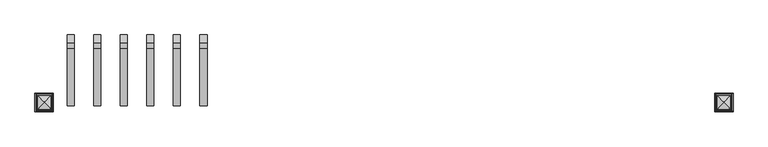
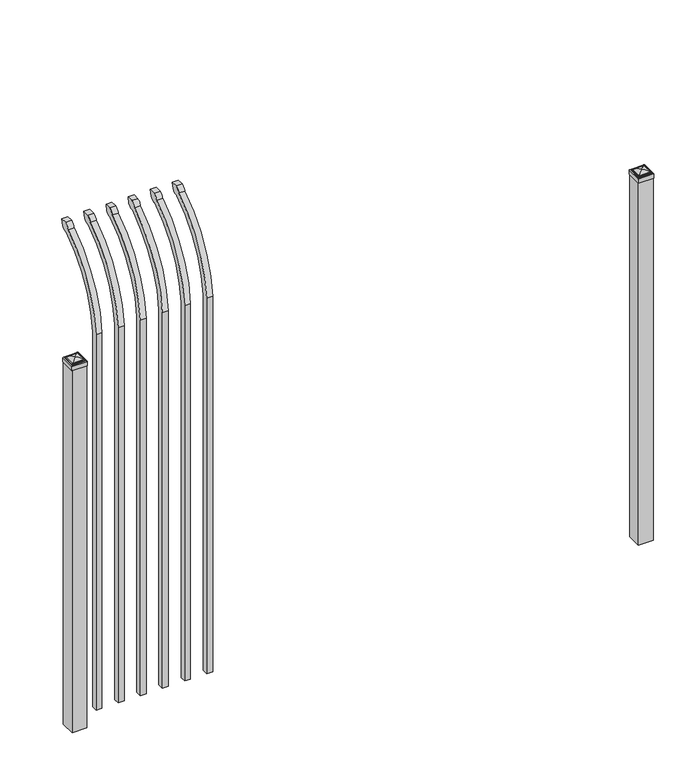
"""IFC4 building model written with IfcOpenShell, lengths in millimetres: railing geometry."""

from ifc_helpers import new_model, si_unit, point, frame, origin, origin_with_axes, place, context, project, spatial, polyline, circle_curve, ellipse_curve, trimmed, outline, extrude, source, transform, mapped, element, save
from ifc_brep_helpers import plane_surface, cylinder_surface, revolved_surface, extruded_surface, advanced_brep


def railing_db0312ca(model_context):
    return source(origin(), model_context, "Body", "SolidModel", [
        advanced_brep(
        [(20603.9350064, 13429.619541, 50.8), (20603.9350064, 13429.619541, 1759.1226889), (20603.9350064, 13626.7326851, 2091.3022378), (20603.9350064, 13653.2407099, 2105.9867549), (20603.9350064, 13659.1100864, 2133.6), (20603.9350064, 13630.8799449, 2133.6), (20603.9350064, 13611.4931591, 2112.6682561), (20603.9350064, 13404.219541, 1759.1226889), (20603.9350064, 13404.219541, 50.8), (20578.5350064, 13429.619541, 50.8), (20578.5350064, 13429.619541, 1759.1226889), (20578.5350064, 13404.219541, 1759.1226889), (20578.5350064, 13404.219541, 50.8), (20578.5350064, 13611.4931591, 2112.6682561), (20578.5350064, 13630.8799449, 2133.6), (20578.5350064, 13659.1100864, 2133.6), (20578.5350064, 13653.2407099, 2105.9867549), (20578.5350064, 13626.7326851, 2091.3022378)],
        [
            (0, 1),
            (1, 2, circle_curve(frame((20603.9350064, 13866.9874207, 1724.1640776), z_axis=(-1.0, 0.0, 0.0), x_axis=(0.0, 1.0, 0.0)), 438.7627681)),
            (2, 3, ellipse_curve(frame((20603.9350064, 13634.5579376, 2113.7180619), z_axis=(1.0, 0.0, 0.0), x_axis=(0.0, -0.7771459614569761, -0.6293203910498311)), 26.7460194, 19.05)),
            (3, 4),
            (4, 5),
            (5, 6, ellipse_curve(frame((20603.9350064, 13634.5579376, 2113.7180619), z_axis=(0.9999999999999999, 0.0, 0.0), x_axis=(0.0, -0.7771459614569769, -0.62932039104983)), 26.7460194, 19.05)),
            (6, 7, circle_curve(frame((20603.9350064, 13866.0333244, 1725.9065933), z_axis=(1.0, 0.0, 0.0), x_axis=(0.0, 1.0, 0.0)), 463.0067812)),
            (7, 8),
            (8, 0),
            (0, 9),
            (9, 10),
            (10, 1),
            (7, 11),
            (11, 12),
            (12, 8),
            (12, 9),
            (11, 13, circle_curve(frame((20578.5350064, 13866.0333244, 1725.9065933), z_axis=(-1.0, 0.0, 0.0), x_axis=(0.0, 1.0, 0.0)), 463.0067812)),
            (13, 14, ellipse_curve(frame((20578.5350064, 13634.5579376, 2113.7180619), z_axis=(-0.9999999999999999, 0.0, 0.0), x_axis=(0.0, -0.7771459614569769, -0.62932039104983)), 26.7460194, 19.05)),
            (14, 15),
            (15, 16),
            (16, 17, ellipse_curve(frame((20578.5350064, 13634.5579376, 2113.7180619), z_axis=(-1.0, 0.0, 0.0), x_axis=(0.0, -0.7771459614569761, -0.6293203910498311)), 26.7460194, 19.05)),
            (17, 10, circle_curve(frame((20578.5350064, 13866.9874207, 1724.1640776), z_axis=(1.0, 0.0, 0.0), x_axis=(0.0, 1.0, 0.0)), 438.7627681)),
            (17, 2),
            (16, 3),
            (15, 4),
            (14, 5),
            (13, 6),
        ],
        [
            plane_surface(frame((20603.9350064, 13429.619541, 50.8), z_axis=(1.0, 0.0, 0.0), x_axis=(0.0, 0.0, 1.0))),
            plane_surface(frame((20603.9350064, 13429.619541, 50.8), z_axis=(0.0, 1.0, 0.0), x_axis=(-1.0, 0.0, 0.0))),
            plane_surface(frame((20603.9350064, 13404.219541, 1759.1226889), z_axis=(0.0, -1.0, 0.0), x_axis=(-1.0, 0.0, 0.0))),
            plane_surface(frame((20603.9350064, 13404.219541, 50.8), z_axis=(0.0, 0.0, -1.0), x_axis=(-1.0, 0.0, 0.0))),
            plane_surface(frame((20578.5350064, 13429.619541, 50.8), z_axis=(-1.0, 0.0, 0.0), x_axis=(0.0, 0.0, -1.0))),
            revolved_surface(polyline([(20578.5350064, 14305.750188799999, 1724.1640776), (20603.9350064, 14305.750188799999, 1724.1640776)]), (20578.5350064, 13866.9874207, 1724.1640776), (-1.0, 0.0, 0.0)),
            extruded_surface(trimmed(ellipse_curve(frame((20553.1350064, 13634.5579376, 2113.7180619), z_axis=(1.0, 0.0, 0.0), x_axis=(0.0, -0.7771459614569761, -0.6293203910498311)), 26.7460194, 19.05), [point((20553.1350064, 13626.7326851, 2091.3022378))], [point((20553.1350064, 13653.2407099, 2105.9867549))], True, "CARTESIAN"), (25.400000000001455, 0.0, 0.0), 25.400000000001455),
            plane_surface(frame((20603.9350064, 13653.2407099, 2105.9867549), z_axis=(0.0, 0.9781476007338014, -0.20791169081777983), x_axis=(-1.0, 0.0, 0.0))),
            plane_surface(frame((20603.9350064, 13659.1100864, 2133.6), z_axis=(0.0, 0.0, 1.0), x_axis=(-1.0, 0.0, 0.0))),
            extruded_surface(trimmed(ellipse_curve(frame((20553.1350064, 13634.5579376, 2113.7180619), z_axis=(0.9999999999999999, 0.0, 0.0), x_axis=(0.0, -0.7771459614569769, -0.62932039104983)), 26.7460194, 19.05), [point((20553.1350064, 13630.8799449, 2133.6))], [point((20553.1350064, 13611.4931591, 2112.6682561))], True, "CARTESIAN"), (25.400000000001455, 0.0, 0.0), 25.400000000001455),
            cylinder_surface(frame((20578.5350064, 13866.0333244, 1725.9065933), z_axis=(1.0, 0.0, 0.0), x_axis=(0.0, 1.0, 0.0)), 463.0067812),
        ],
        [
            (0, [[1, 2, 3, 4, 5, 6, 7, 8, 9]]),
            (1, [[-1, 10, 11, 12]]),
            (2, [[-8, 13, 14, 15]]),
            (3, [[-9, -15, 16, -10]]),
            (4, [[-16, -14, 17, 18, 19, 20, 21, 22, -11]]),
            (5, [[-2, -12, -22, 23]]),
            (6, [[-3, -23, -21, 24]]),
            (7, [[-4, -24, -20, 25]]),
            (8, [[-5, -25, -19, 26]]),
            (9, [[-6, -26, -18, 27]]),
            (10, [[-7, -27, -17, -13]]),
        ],
    ),
        advanced_brep(
        [(20508.6850064, 13429.619541, 50.8), (20508.6850064, 13429.619541, 1759.1226889), (20508.6850064, 13626.7326851, 2091.3022378), (20508.6850064, 13653.2407099, 2105.9867549), (20508.6850064, 13659.1100864, 2133.6), (20508.6850064, 13630.8799449, 2133.6), (20508.6850064, 13611.4931591, 2112.6682561), (20508.6850064, 13404.219541, 1759.1226889), (20508.6850064, 13404.219541, 50.8), (20483.2850064, 13429.619541, 50.8), (20483.2850064, 13429.619541, 1759.1226889), (20483.2850064, 13404.219541, 1759.1226889), (20483.2850064, 13404.219541, 50.8), (20483.2850064, 13611.4931591, 2112.6682561), (20483.2850064, 13630.8799449, 2133.6), (20483.2850064, 13659.1100864, 2133.6), (20483.2850064, 13653.2407099, 2105.9867549), (20483.2850064, 13626.7326851, 2091.3022378)],
        [
            (0, 1),
            (1, 2, circle_curve(frame((20508.6850064, 13866.9874207, 1724.1640776), z_axis=(-1.0, 0.0, 0.0), x_axis=(0.0, 1.0, 0.0)), 438.7627681)),
            (2, 3, ellipse_curve(frame((20508.6850064, 13634.5579376, 2113.7180619), z_axis=(1.0, 0.0, 0.0), x_axis=(0.0, -0.7771459614569761, -0.6293203910498311)), 26.7460194, 19.05)),
            (3, 4),
            (4, 5),
            (5, 6, ellipse_curve(frame((20508.6850064, 13634.5579376, 2113.7180619), z_axis=(0.9999999999999999, 0.0, 0.0), x_axis=(0.0, -0.7771459614569769, -0.62932039104983)), 26.7460194, 19.05)),
            (6, 7, circle_curve(frame((20508.6850064, 13866.0333244, 1725.9065933), z_axis=(1.0, 0.0, 0.0), x_axis=(0.0, 1.0, 0.0)), 463.0067812)),
            (7, 8),
            (8, 0),
            (0, 9),
            (9, 10),
            (10, 1),
            (7, 11),
            (11, 12),
            (12, 8),
            (12, 9),
            (11, 13, circle_curve(frame((20483.2850064, 13866.0333244, 1725.9065933), z_axis=(-1.0, 0.0, 0.0), x_axis=(0.0, 1.0, 0.0)), 463.0067812)),
            (13, 14, ellipse_curve(frame((20483.2850064, 13634.5579376, 2113.7180619), z_axis=(-0.9999999999999999, 0.0, 0.0), x_axis=(0.0, -0.7771459614569769, -0.62932039104983)), 26.7460194, 19.05)),
            (14, 15),
            (15, 16),
            (16, 17, ellipse_curve(frame((20483.2850064, 13634.5579376, 2113.7180619), z_axis=(-1.0, 0.0, 0.0), x_axis=(0.0, -0.7771459614569761, -0.6293203910498311)), 26.7460194, 19.05)),
            (17, 10, circle_curve(frame((20483.2850064, 13866.9874207, 1724.1640776), z_axis=(1.0, 0.0, 0.0), x_axis=(0.0, 1.0, 0.0)), 438.7627681)),
            (17, 2),
            (16, 3),
            (15, 4),
            (14, 5),
            (13, 6),
        ],
        [
            plane_surface(frame((20508.6850064, 13429.619541, 50.8), z_axis=(1.0, 0.0, 0.0), x_axis=(0.0, 0.0, 1.0))),
            plane_surface(frame((20508.6850064, 13429.619541, 50.8), z_axis=(0.0, 1.0, 0.0), x_axis=(-1.0, 0.0, 0.0))),
            plane_surface(frame((20508.6850064, 13404.219541, 1759.1226889), z_axis=(0.0, -1.0, 0.0), x_axis=(-1.0, 0.0, 0.0))),
            plane_surface(frame((20508.6850064, 13404.219541, 50.8), z_axis=(0.0, 0.0, -1.0), x_axis=(-1.0, 0.0, 0.0))),
            plane_surface(frame((20483.2850064, 13429.619541, 50.8), z_axis=(-1.0, 0.0, 0.0), x_axis=(0.0, 0.0, -1.0))),
            revolved_surface(polyline([(20483.2850064, 14305.750188799999, 1724.1640776), (20508.6850064, 14305.750188799999, 1724.1640776)]), (20483.2850064, 13866.9874207, 1724.1640776), (-1.0, 0.0, 0.0)),
            extruded_surface(trimmed(ellipse_curve(frame((20457.8850064, 13634.5579376, 2113.7180619), z_axis=(1.0, 0.0, 0.0), x_axis=(0.0, -0.7771459614569761, -0.6293203910498311)), 26.7460194, 19.05), [point((20457.8850064, 13626.7326851, 2091.3022378))], [point((20457.8850064, 13653.2407099, 2105.9867549))], True, "CARTESIAN"), (25.400000000001455, 0.0, 0.0), 25.400000000001455),
            plane_surface(frame((20508.6850064, 13653.2407099, 2105.9867549), z_axis=(0.0, 0.9781476007338014, -0.20791169081777983), x_axis=(-1.0, 0.0, 0.0))),
            plane_surface(frame((20508.6850064, 13659.1100864, 2133.6), z_axis=(0.0, 0.0, 1.0), x_axis=(-1.0, 0.0, 0.0))),
            extruded_surface(trimmed(ellipse_curve(frame((20457.8850064, 13634.5579376, 2113.7180619), z_axis=(0.9999999999999999, 0.0, 0.0), x_axis=(0.0, -0.7771459614569769, -0.62932039104983)), 26.7460194, 19.05), [point((20457.8850064, 13630.8799449, 2133.6))], [point((20457.8850064, 13611.4931591, 2112.6682561))], True, "CARTESIAN"), (25.400000000001455, 0.0, 0.0), 25.400000000001455),
            cylinder_surface(frame((20483.2850064, 13866.0333244, 1725.9065933), z_axis=(1.0, 0.0, 0.0), x_axis=(0.0, 1.0, 0.0)), 463.0067812),
        ],
        [
            (0, [[1, 2, 3, 4, 5, 6, 7, 8, 9]]),
            (1, [[-1, 10, 11, 12]]),
            (2, [[-8, 13, 14, 15]]),
            (3, [[-9, -15, 16, -10]]),
            (4, [[-16, -14, 17, 18, 19, 20, 21, 22, -11]]),
            (5, [[-2, -12, -22, 23]]),
            (6, [[-3, -23, -21, 24]]),
            (7, [[-4, -24, -20, 25]]),
            (8, [[-5, -25, -19, 26]]),
            (9, [[-6, -26, -18, 27]]),
            (10, [[-7, -27, -17, -13]]),
        ],
    ),
        advanced_brep(
        [(20413.4350064, 13429.619541, 50.8), (20413.4350064, 13429.619541, 1759.1226889), (20413.4350064, 13626.7326851, 2091.3022378), (20413.4350064, 13653.2407099, 2105.9867549), (20413.4350064, 13659.1100864, 2133.6), (20413.4350064, 13630.8799449, 2133.6), (20413.4350064, 13611.4931591, 2112.6682561), (20413.4350064, 13404.219541, 1759.1226889), (20413.4350064, 13404.219541, 50.8), (20388.0350064, 13429.619541, 50.8), (20388.0350064, 13429.619541, 1759.1226889), (20388.0350064, 13404.219541, 1759.1226889), (20388.0350064, 13404.219541, 50.8), (20388.0350064, 13611.4931591, 2112.6682561), (20388.0350064, 13630.8799449, 2133.6), (20388.0350064, 13659.1100864, 2133.6), (20388.0350064, 13653.2407099, 2105.9867549), (20388.0350064, 13626.7326851, 2091.3022378)],
        [
            (0, 1),
            (1, 2, circle_curve(frame((20413.4350064, 13866.9874207, 1724.1640776), z_axis=(-1.0, 0.0, 0.0), x_axis=(0.0, 1.0, 0.0)), 438.7627681)),
            (2, 3, ellipse_curve(frame((20413.4350064, 13634.5579376, 2113.7180619), z_axis=(1.0, 0.0, 0.0), x_axis=(0.0, -0.7771459614569761, -0.6293203910498311)), 26.7460194, 19.05)),
            (3, 4),
            (4, 5),
            (5, 6, ellipse_curve(frame((20413.4350064, 13634.5579376, 2113.7180619), z_axis=(0.9999999999999999, 0.0, 0.0), x_axis=(0.0, -0.7771459614569769, -0.62932039104983)), 26.7460194, 19.05)),
            (6, 7, circle_curve(frame((20413.4350064, 13866.0333244, 1725.9065933), z_axis=(1.0, 0.0, 0.0), x_axis=(0.0, 1.0, 0.0)), 463.0067812)),
            (7, 8),
            (8, 0),
            (0, 9),
            (9, 10),
            (10, 1),
            (7, 11),
            (11, 12),
            (12, 8),
            (12, 9),
            (11, 13, circle_curve(frame((20388.0350064, 13866.0333244, 1725.9065933), z_axis=(-1.0, 0.0, 0.0), x_axis=(0.0, 1.0, 0.0)), 463.0067812)),
            (13, 14, ellipse_curve(frame((20388.0350064, 13634.5579376, 2113.7180619), z_axis=(-0.9999999999999999, 0.0, 0.0), x_axis=(0.0, -0.7771459614569769, -0.62932039104983)), 26.7460194, 19.05)),
            (14, 15),
            (15, 16),
            (16, 17, ellipse_curve(frame((20388.0350064, 13634.5579376, 2113.7180619), z_axis=(-1.0, 0.0, 0.0), x_axis=(0.0, -0.7771459614569761, -0.6293203910498311)), 26.7460194, 19.05)),
            (17, 10, circle_curve(frame((20388.0350064, 13866.9874207, 1724.1640776), z_axis=(1.0, 0.0, 0.0), x_axis=(0.0, 1.0, 0.0)), 438.7627681)),
            (17, 2),
            (16, 3),
            (15, 4),
            (14, 5),
            (13, 6),
        ],
        [
            plane_surface(frame((20413.4350064, 13429.619541, 50.8), z_axis=(1.0, 0.0, 0.0), x_axis=(0.0, 0.0, 1.0))),
            plane_surface(frame((20413.4350064, 13429.619541, 50.8), z_axis=(0.0, 1.0, 0.0), x_axis=(-1.0, 0.0, 0.0))),
            plane_surface(frame((20413.4350064, 13404.219541, 1759.1226889), z_axis=(0.0, -1.0, 0.0), x_axis=(-1.0, 0.0, 0.0))),
            plane_surface(frame((20413.4350064, 13404.219541, 50.8), z_axis=(0.0, 0.0, -1.0), x_axis=(-1.0, 0.0, 0.0))),
            plane_surface(frame((20388.0350064, 13429.619541, 50.8), z_axis=(-1.0, 0.0, 0.0), x_axis=(0.0, 0.0, -1.0))),
            revolved_surface(polyline([(20388.0350064, 14305.750188799999, 1724.1640776), (20413.4350064, 14305.750188799999, 1724.1640776)]), (20388.0350064, 13866.9874207, 1724.1640776), (-1.0, 0.0, 0.0)),
            extruded_surface(trimmed(ellipse_curve(frame((20362.6350064, 13634.5579376, 2113.7180619), z_axis=(1.0, 0.0, 0.0), x_axis=(0.0, -0.7771459614569761, -0.6293203910498311)), 26.7460194, 19.05), [point((20362.6350064, 13626.7326851, 2091.3022378))], [point((20362.6350064, 13653.2407099, 2105.9867549))], True, "CARTESIAN"), (25.400000000001455, 0.0, 0.0), 25.400000000001455),
            plane_surface(frame((20413.4350064, 13653.2407099, 2105.9867549), z_axis=(0.0, 0.9781476007338014, -0.20791169081777983), x_axis=(-1.0, 0.0, 0.0))),
            plane_surface(frame((20413.4350064, 13659.1100864, 2133.6), z_axis=(0.0, 0.0, 1.0), x_axis=(-1.0, 0.0, 0.0))),
            extruded_surface(trimmed(ellipse_curve(frame((20362.6350064, 13634.5579376, 2113.7180619), z_axis=(0.9999999999999999, 0.0, 0.0), x_axis=(0.0, -0.7771459614569769, -0.62932039104983)), 26.7460194, 19.05), [point((20362.6350064, 13630.8799449, 2133.6))], [point((20362.6350064, 13611.4931591, 2112.6682561))], True, "CARTESIAN"), (25.400000000001455, 0.0, 0.0), 25.400000000001455),
            cylinder_surface(frame((20388.0350064, 13866.0333244, 1725.9065933), z_axis=(1.0, 0.0, 0.0), x_axis=(0.0, 1.0, 0.0)), 463.0067812),
        ],
        [
            (0, [[1, 2, 3, 4, 5, 6, 7, 8, 9]]),
            (1, [[-1, 10, 11, 12]]),
            (2, [[-8, 13, 14, 15]]),
            (3, [[-9, -15, 16, -10]]),
            (4, [[-16, -14, 17, 18, 19, 20, 21, 22, -11]]),
            (5, [[-2, -12, -22, 23]]),
            (6, [[-3, -23, -21, 24]]),
            (7, [[-4, -24, -20, 25]]),
            (8, [[-5, -25, -19, 26]]),
            (9, [[-6, -26, -18, 27]]),
            (10, [[-7, -27, -17, -13]]),
        ],
    ),
        advanced_brep(
        [(20318.1850064, 13429.619541, 50.8), (20318.1850064, 13429.619541, 1759.1226889), (20318.1850064, 13626.7326851, 2091.3022378), (20318.1850064, 13653.2407099, 2105.9867549), (20318.1850064, 13659.1100864, 2133.6), (20318.1850064, 13630.8799449, 2133.6), (20318.1850064, 13611.4931591, 2112.6682561), (20318.1850064, 13404.219541, 1759.1226889), (20318.1850064, 13404.219541, 50.8), (20292.7850064, 13429.619541, 50.8), (20292.7850064, 13429.619541, 1759.1226889), (20292.7850064, 13404.219541, 1759.1226889), (20292.7850064, 13404.219541, 50.8), (20292.7850064, 13611.4931591, 2112.6682561), (20292.7850064, 13630.8799449, 2133.6), (20292.7850064, 13659.1100864, 2133.6), (20292.7850064, 13653.2407099, 2105.9867549), (20292.7850064, 13626.7326851, 2091.3022378)],
        [
            (0, 1),
            (1, 2, circle_curve(frame((20318.1850064, 13866.9874207, 1724.1640776), z_axis=(-1.0, 0.0, 0.0), x_axis=(0.0, 1.0, 0.0)), 438.7627681)),
            (2, 3, ellipse_curve(frame((20318.1850064, 13634.5579376, 2113.7180619), z_axis=(1.0, 0.0, 0.0), x_axis=(0.0, -0.7771459614569761, -0.6293203910498311)), 26.7460194, 19.05)),
            (3, 4),
            (4, 5),
            (5, 6, ellipse_curve(frame((20318.1850064, 13634.5579376, 2113.7180619), z_axis=(0.9999999999999999, 0.0, 0.0), x_axis=(0.0, -0.7771459614569769, -0.62932039104983)), 26.7460194, 19.05)),
            (6, 7, circle_curve(frame((20318.1850064, 13866.0333244, 1725.9065933), z_axis=(1.0, 0.0, 0.0), x_axis=(0.0, 1.0, 0.0)), 463.0067812)),
            (7, 8),
            (8, 0),
            (0, 9),
            (9, 10),
            (10, 1),
            (7, 11),
            (11, 12),
            (12, 8),
            (12, 9),
            (11, 13, circle_curve(frame((20292.7850064, 13866.0333244, 1725.9065933), z_axis=(-1.0, 0.0, 0.0), x_axis=(0.0, 1.0, 0.0)), 463.0067812)),
            (13, 14, ellipse_curve(frame((20292.7850064, 13634.5579376, 2113.7180619), z_axis=(-0.9999999999999999, 0.0, 0.0), x_axis=(0.0, -0.7771459614569769, -0.62932039104983)), 26.7460194, 19.05)),
            (14, 15),
            (15, 16),
            (16, 17, ellipse_curve(frame((20292.7850064, 13634.5579376, 2113.7180619), z_axis=(-1.0, 0.0, 0.0), x_axis=(0.0, -0.7771459614569761, -0.6293203910498311)), 26.7460194, 19.05)),
            (17, 10, circle_curve(frame((20292.7850064, 13866.9874207, 1724.1640776), z_axis=(1.0, 0.0, 0.0), x_axis=(0.0, 1.0, 0.0)), 438.7627681)),
            (17, 2),
            (16, 3),
            (15, 4),
            (14, 5),
            (13, 6),
        ],
        [
            plane_surface(frame((20318.1850064, 13429.619541, 50.8), z_axis=(1.0, 0.0, 0.0), x_axis=(0.0, 0.0, 1.0))),
            plane_surface(frame((20318.1850064, 13429.619541, 50.8), z_axis=(0.0, 1.0, 0.0), x_axis=(-1.0, 0.0, 0.0))),
            plane_surface(frame((20318.1850064, 13404.219541, 1759.1226889), z_axis=(0.0, -1.0, 0.0), x_axis=(-1.0, 0.0, 0.0))),
            plane_surface(frame((20318.1850064, 13404.219541, 50.8), z_axis=(0.0, 0.0, -1.0), x_axis=(-1.0, 0.0, 0.0))),
            plane_surface(frame((20292.7850064, 13429.619541, 50.8), z_axis=(-1.0, 0.0, 0.0), x_axis=(0.0, 0.0, -1.0))),
            revolved_surface(polyline([(20292.7850064, 14305.750188799999, 1724.1640776), (20318.1850064, 14305.750188799999, 1724.1640776)]), (20292.7850064, 13866.9874207, 1724.1640776), (-1.0, 0.0, 0.0)),
            extruded_surface(trimmed(ellipse_curve(frame((20267.3850064, 13634.5579376, 2113.7180619), z_axis=(1.0, 0.0, 0.0), x_axis=(0.0, -0.7771459614569761, -0.6293203910498311)), 26.7460194, 19.05), [point((20267.3850064, 13626.7326851, 2091.3022378))], [point((20267.3850064, 13653.2407099, 2105.9867549))], True, "CARTESIAN"), (25.400000000001455, 0.0, 0.0), 25.400000000001455),
            plane_surface(frame((20318.1850064, 13653.2407099, 2105.9867549), z_axis=(0.0, 0.9781476007338014, -0.20791169081777983), x_axis=(-1.0, 0.0, 0.0))),
            plane_surface(frame((20318.1850064, 13659.1100864, 2133.6), z_axis=(0.0, 0.0, 1.0), x_axis=(-1.0, 0.0, 0.0))),
            extruded_surface(trimmed(ellipse_curve(frame((20267.3850064, 13634.5579376, 2113.7180619), z_axis=(0.9999999999999999, 0.0, 0.0), x_axis=(0.0, -0.7771459614569769, -0.62932039104983)), 26.7460194, 19.05), [point((20267.3850064, 13630.8799449, 2133.6))], [point((20267.3850064, 13611.4931591, 2112.6682561))], True, "CARTESIAN"), (25.400000000001455, 0.0, 0.0), 25.400000000001455),
            cylinder_surface(frame((20292.7850064, 13866.0333244, 1725.9065933), z_axis=(1.0, 0.0, 0.0), x_axis=(0.0, 1.0, 0.0)), 463.0067812),
        ],
        [
            (0, [[1, 2, 3, 4, 5, 6, 7, 8, 9]]),
            (1, [[-1, 10, 11, 12]]),
            (2, [[-8, 13, 14, 15]]),
            (3, [[-9, -15, 16, -10]]),
            (4, [[-16, -14, 17, 18, 19, 20, 21, 22, -11]]),
            (5, [[-2, -12, -22, 23]]),
            (6, [[-3, -23, -21, 24]]),
            (7, [[-4, -24, -20, 25]]),
            (8, [[-5, -25, -19, 26]]),
            (9, [[-6, -26, -18, 27]]),
            (10, [[-7, -27, -17, -13]]),
        ],
    ),
        advanced_brep(
        [(20222.9350064, 13429.619541, 50.8), (20222.9350064, 13429.619541, 1759.1226889), (20222.9350064, 13626.7326851, 2091.3022378), (20222.9350064, 13653.2407099, 2105.9867549), (20222.9350064, 13659.1100864, 2133.6), (20222.9350064, 13630.8799449, 2133.6), (20222.9350064, 13611.4931591, 2112.6682561), (20222.9350064, 13404.219541, 1759.1226889), (20222.9350064, 13404.219541, 50.8), (20197.5350064, 13429.619541, 50.8), (20197.5350064, 13429.619541, 1759.1226889), (20197.5350064, 13404.219541, 1759.1226889), (20197.5350064, 13404.219541, 50.8), (20197.5350064, 13611.4931591, 2112.6682561), (20197.5350064, 13630.8799449, 2133.6), (20197.5350064, 13659.1100864, 2133.6), (20197.5350064, 13653.2407099, 2105.9867549), (20197.5350064, 13626.7326851, 2091.3022378)],
        [
            (0, 1),
            (1, 2, circle_curve(frame((20222.9350064, 13866.9874207, 1724.1640776), z_axis=(-1.0, 0.0, 0.0), x_axis=(0.0, 1.0, 0.0)), 438.7627681)),
            (2, 3, ellipse_curve(frame((20222.9350064, 13634.5579376, 2113.7180619), z_axis=(1.0, 0.0, 0.0), x_axis=(0.0, -0.7771459614569761, -0.6293203910498311)), 26.7460194, 19.05)),
            (3, 4),
            (4, 5),
            (5, 6, ellipse_curve(frame((20222.9350064, 13634.5579376, 2113.7180619), z_axis=(0.9999999999999999, 0.0, 0.0), x_axis=(0.0, -0.7771459614569769, -0.62932039104983)), 26.7460194, 19.05)),
            (6, 7, circle_curve(frame((20222.9350064, 13866.0333244, 1725.9065933), z_axis=(1.0, 0.0, 0.0), x_axis=(0.0, 1.0, 0.0)), 463.0067812)),
            (7, 8),
            (8, 0),
            (0, 9),
            (9, 10),
            (10, 1),
            (7, 11),
            (11, 12),
            (12, 8),
            (12, 9),
            (11, 13, circle_curve(frame((20197.5350064, 13866.0333244, 1725.9065933), z_axis=(-1.0, 0.0, 0.0), x_axis=(0.0, 1.0, 0.0)), 463.0067812)),
            (13, 14, ellipse_curve(frame((20197.5350064, 13634.5579376, 2113.7180619), z_axis=(-0.9999999999999999, 0.0, 0.0), x_axis=(0.0, -0.7771459614569769, -0.62932039104983)), 26.7460194, 19.05)),
            (14, 15),
            (15, 16),
            (16, 17, ellipse_curve(frame((20197.5350064, 13634.5579376, 2113.7180619), z_axis=(-1.0, 0.0, 0.0), x_axis=(0.0, -0.7771459614569761, -0.6293203910498311)), 26.7460194, 19.05)),
            (17, 10, circle_curve(frame((20197.5350064, 13866.9874207, 1724.1640776), z_axis=(1.0, 0.0, 0.0), x_axis=(0.0, 1.0, 0.0)), 438.7627681)),
            (17, 2),
            (16, 3),
            (15, 4),
            (14, 5),
            (13, 6),
        ],
        [
            plane_surface(frame((20222.9350064, 13429.619541, 50.8), z_axis=(1.0, 0.0, 0.0), x_axis=(0.0, 0.0, 1.0))),
            plane_surface(frame((20222.9350064, 13429.619541, 50.8), z_axis=(0.0, 1.0, 0.0), x_axis=(-1.0, 0.0, 0.0))),
            plane_surface(frame((20222.9350064, 13404.219541, 1759.1226889), z_axis=(0.0, -1.0, 0.0), x_axis=(-1.0, 0.0, 0.0))),
            plane_surface(frame((20222.9350064, 13404.219541, 50.8), z_axis=(0.0, 0.0, -1.0), x_axis=(-1.0, 0.0, 0.0))),
            plane_surface(frame((20197.5350064, 13429.619541, 50.8), z_axis=(-1.0, 0.0, 0.0), x_axis=(0.0, 0.0, -1.0))),
            revolved_surface(polyline([(20197.5350064, 14305.750188799999, 1724.1640776), (20222.9350064, 14305.750188799999, 1724.1640776)]), (20197.5350064, 13866.9874207, 1724.1640776), (-1.0, 0.0, 0.0)),
            extruded_surface(trimmed(ellipse_curve(frame((20172.1350064, 13634.5579376, 2113.7180619), z_axis=(1.0, 0.0, 0.0), x_axis=(0.0, -0.7771459614569761, -0.6293203910498311)), 26.7460194, 19.05), [point((20172.1350064, 13626.7326851, 2091.3022378))], [point((20172.1350064, 13653.2407099, 2105.9867549))], True, "CARTESIAN"), (25.400000000001455, 0.0, 0.0), 25.400000000001455),
            plane_surface(frame((20222.9350064, 13653.2407099, 2105.9867549), z_axis=(0.0, 0.9781476007338014, -0.20791169081777983), x_axis=(-1.0, 0.0, 0.0))),
            plane_surface(frame((20222.9350064, 13659.1100864, 2133.6), z_axis=(0.0, 0.0, 1.0), x_axis=(-1.0, 0.0, 0.0))),
            extruded_surface(trimmed(ellipse_curve(frame((20172.1350064, 13634.5579376, 2113.7180619), z_axis=(0.9999999999999999, 0.0, 0.0), x_axis=(0.0, -0.7771459614569769, -0.62932039104983)), 26.7460194, 19.05), [point((20172.1350064, 13630.8799449, 2133.6))], [point((20172.1350064, 13611.4931591, 2112.6682561))], True, "CARTESIAN"), (25.400000000001455, 0.0, 0.0), 25.400000000001455),
            cylinder_surface(frame((20197.5350064, 13866.0333244, 1725.9065933), z_axis=(1.0, 0.0, 0.0), x_axis=(0.0, 1.0, 0.0)), 463.0067812),
        ],
        [
            (0, [[1, 2, 3, 4, 5, 6, 7, 8, 9]]),
            (1, [[-1, 10, 11, 12]]),
            (2, [[-8, 13, 14, 15]]),
            (3, [[-9, -15, 16, -10]]),
            (4, [[-16, -14, 17, 18, 19, 20, 21, 22, -11]]),
            (5, [[-2, -12, -22, 23]]),
            (6, [[-3, -23, -21, 24]]),
            (7, [[-4, -24, -20, 25]]),
            (8, [[-5, -25, -19, 26]]),
            (9, [[-6, -26, -18, 27]]),
            (10, [[-7, -27, -17, -13]]),
        ],
    ),
        advanced_brep(
        [(20127.6850064, 13429.619541, 50.8), (20127.6850064, 13429.619541, 1759.1226889), (20127.6850064, 13626.7326851, 2091.3022378), (20127.6850064, 13653.2407099, 2105.9867549), (20127.6850064, 13659.1100864, 2133.6), (20127.6850064, 13630.8799449, 2133.6), (20127.6850064, 13611.4931591, 2112.6682561), (20127.6850064, 13404.219541, 1759.1226889), (20127.6850064, 13404.219541, 50.8), (20102.2850064, 13429.619541, 50.8), (20102.2850064, 13429.619541, 1759.1226889), (20102.2850064, 13404.219541, 1759.1226889), (20102.2850064, 13404.219541, 50.8), (20102.2850064, 13611.4931591, 2112.6682561), (20102.2850064, 13630.8799449, 2133.6), (20102.2850064, 13659.1100864, 2133.6), (20102.2850064, 13653.2407099, 2105.9867549), (20102.2850064, 13626.7326851, 2091.3022378)],
        [
            (0, 1),
            (1, 2, circle_curve(frame((20127.6850064, 13866.9874207, 1724.1640776), z_axis=(-1.0, 0.0, 0.0), x_axis=(0.0, 1.0, 0.0)), 438.7627681)),
            (2, 3, ellipse_curve(frame((20127.6850064, 13634.5579376, 2113.7180619), z_axis=(1.0, 0.0, 0.0), x_axis=(0.0, -0.7771459614569761, -0.6293203910498311)), 26.7460194, 19.05)),
            (3, 4),
            (4, 5),
            (5, 6, ellipse_curve(frame((20127.6850064, 13634.5579376, 2113.7180619), z_axis=(0.9999999999999999, 0.0, 0.0), x_axis=(0.0, -0.7771459614569769, -0.62932039104983)), 26.7460194, 19.05)),
            (6, 7, circle_curve(frame((20127.6850064, 13866.0333244, 1725.9065933), z_axis=(1.0, 0.0, 0.0), x_axis=(0.0, 1.0, 0.0)), 463.0067812)),
            (7, 8),
            (8, 0),
            (0, 9),
            (9, 10),
            (10, 1),
            (7, 11),
            (11, 12),
            (12, 8),
            (12, 9),
            (11, 13, circle_curve(frame((20102.2850064, 13866.0333244, 1725.9065933), z_axis=(-1.0, 0.0, 0.0), x_axis=(0.0, 1.0, 0.0)), 463.0067812)),
            (13, 14, ellipse_curve(frame((20102.2850064, 13634.5579376, 2113.7180619), z_axis=(-0.9999999999999999, 0.0, 0.0), x_axis=(0.0, -0.7771459614569769, -0.62932039104983)), 26.7460194, 19.05)),
            (14, 15),
            (15, 16),
            (16, 17, ellipse_curve(frame((20102.2850064, 13634.5579376, 2113.7180619), z_axis=(-1.0, 0.0, 0.0), x_axis=(0.0, -0.7771459614569761, -0.6293203910498311)), 26.7460194, 19.05)),
            (17, 10, circle_curve(frame((20102.2850064, 13866.9874207, 1724.1640776), z_axis=(1.0, 0.0, 0.0), x_axis=(0.0, 1.0, 0.0)), 438.7627681)),
            (17, 2),
            (16, 3),
            (15, 4),
            (14, 5),
            (13, 6),
        ],
        [
            plane_surface(frame((20127.6850064, 13429.619541, 50.8), z_axis=(1.0, 0.0, 0.0), x_axis=(0.0, 0.0, 1.0))),
            plane_surface(frame((20127.6850064, 13429.619541, 50.8), z_axis=(0.0, 1.0, 0.0), x_axis=(-1.0, 0.0, 0.0))),
            plane_surface(frame((20127.6850064, 13404.219541, 1759.1226889), z_axis=(0.0, -1.0, 0.0), x_axis=(-1.0, 0.0, 0.0))),
            plane_surface(frame((20127.6850064, 13404.219541, 50.8), z_axis=(0.0, 0.0, -1.0), x_axis=(-1.0, 0.0, 0.0))),
            plane_surface(frame((20102.2850064, 13429.619541, 50.8), z_axis=(-1.0, 0.0, 0.0), x_axis=(0.0, 0.0, -1.0))),
            revolved_surface(polyline([(20102.2850064, 14305.750188799999, 1724.1640776), (20127.6850064, 14305.750188799999, 1724.1640776)]), (20102.2850064, 13866.9874207, 1724.1640776), (-1.0, 0.0, 0.0)),
            extruded_surface(trimmed(ellipse_curve(frame((20076.8850064, 13634.5579376, 2113.7180619), z_axis=(1.0, 0.0, 0.0), x_axis=(0.0, -0.7771459614569761, -0.6293203910498311)), 26.7460194, 19.05), [point((20076.8850064, 13626.7326851, 2091.3022378))], [point((20076.8850064, 13653.2407099, 2105.9867549))], True, "CARTESIAN"), (25.400000000001455, 0.0, 0.0), 25.400000000001455),
            plane_surface(frame((20127.6850064, 13653.2407099, 2105.9867549), z_axis=(0.0, 0.9781476007338014, -0.20791169081777983), x_axis=(-1.0, 0.0, 0.0))),
            plane_surface(frame((20127.6850064, 13659.1100864, 2133.6), z_axis=(0.0, 0.0, 1.0), x_axis=(-1.0, 0.0, 0.0))),
            extruded_surface(trimmed(ellipse_curve(frame((20076.8850064, 13634.5579376, 2113.7180619), z_axis=(0.9999999999999999, 0.0, 0.0), x_axis=(0.0, -0.7771459614569769, -0.62932039104983)), 26.7460194, 19.05), [point((20076.8850064, 13630.8799449, 2133.6))], [point((20076.8850064, 13611.4931591, 2112.6682561))], True, "CARTESIAN"), (25.400000000001455, 0.0, 0.0), 25.400000000001455),
            cylinder_surface(frame((20102.2850064, 13866.0333244, 1725.9065933), z_axis=(1.0, 0.0, 0.0), x_axis=(0.0, 1.0, 0.0)), 463.0067812),
        ],
        [
            (0, [[1, 2, 3, 4, 5, 6, 7, 8, 9]]),
            (1, [[-1, 10, 11, 12]]),
            (2, [[-8, 13, 14, 15]]),
            (3, [[-9, -15, 16, -10]]),
            (4, [[-16, -14, 17, 18, 19, 20, 21, 22, -11]]),
            (5, [[-2, -12, -22, 23]]),
            (6, [[-3, -23, -21, 24]]),
            (7, [[-4, -24, -20, 25]]),
            (8, [[-5, -25, -19, 26]]),
            (9, [[-6, -26, -18, 27]]),
            (10, [[-7, -27, -17, -13]]),
        ],
    ),
        extrude(outline(polyline([(22489.8850064, 13448.669541), (22489.8850064, 13385.169541), (22426.3850064, 13385.169541), (22426.3850064, 13448.669541), (22489.8850064, 13448.669541)])), origin_with_axes(), (0.0, 0.0, 1.0), 1649.4125),
        advanced_brep(
        [(22424.7975064, 13450.257041, 1667.66875), (22424.7975064, 13450.257041, 1649.4125), (22424.7975064, 13383.582041, 1649.4125), (22424.7975064, 13383.582041, 1667.66875), (22427.1787564, 13447.875791, 1670.05), (22427.1787564, 13385.963291, 1670.05), (22429.5600064, 13445.494541, 1672.43125), (22429.5600064, 13445.494541, 1670.05), (22429.5600064, 13388.344541, 1670.05), (22429.5600064, 13388.344541, 1672.43125), (22431.9412564, 13443.113291, 1674.8125), (22431.9412564, 13390.725791, 1674.8125), (22458.1350064, 13416.919541, 1681.1625), (22434.3225064, 13440.732041, 1674.8125), (22434.3225064, 13393.107041, 1674.8125), (22491.4725064, 13383.582041, 1649.4125), (22491.4725064, 13383.582041, 1667.66875), (22489.0912564, 13385.963291, 1670.05), (22486.7100064, 13388.344541, 1670.05), (22486.7100064, 13388.344541, 1672.43125), (22484.3287564, 13390.725791, 1674.8125), (22481.9475064, 13393.107041, 1674.8125), (22491.4725064, 13450.257041, 1649.4125), (22491.4725064, 13450.257041, 1667.66875), (22489.0912564, 13447.875791, 1670.05), (22486.7100064, 13445.494541, 1670.05), (22486.7100064, 13445.494541, 1672.43125), (22484.3287564, 13443.113291, 1674.8125), (22481.9475064, 13440.732041, 1674.8125)],
        [
            (0, 1),
            (1, 2),
            (2, 3),
            (3, 0),
            (4, 0, ellipse_curve(frame((22427.1787564, 13447.875791, 1667.66875), z_axis=(-0.70710678118655, -0.7071067811865449, 0.0), x_axis=(-0.7071067811865448, 0.7071067811865501, 0.0)), 3.367596, 2.38125)),
            (3, 5, ellipse_curve(frame((22427.1787564, 13385.963291, 1667.66875), z_axis=(-0.7071067811865449, 0.70710678118655, 0.0), x_axis=(0.7071067811865499, 0.707106781186545, 0.0)), 3.367596, 2.38125)),
            (5, 4),
            (6, 7),
            (7, 8),
            (8, 9),
            (9, 6),
            (10, 6, ellipse_curve(frame((22431.9412564, 13443.113291, 1672.43125), z_axis=(-0.70710678118655, -0.7071067811865449, 0.0), x_axis=(-0.7071067811865448, 0.7071067811865501, 0.0)), 3.367596, 2.38125)),
            (9, 11, ellipse_curve(frame((22431.9412564, 13390.725791, 1672.43125), z_axis=(-0.7071067811865449, 0.70710678118655, 0.0), x_axis=(0.7071067811865499, 0.707106781186545, 0.0)), 3.367596, 2.38125)),
            (11, 10),
            (12, 13, ellipse_curve(frame((22458.1350064, 13416.919541, 1633.3390625), z_axis=(-0.70710678118655, -0.7071067811865449, 0.0), x_axis=(-0.7071067811865448, 0.7071067811865501, 0.0)), 67.6325539, 47.8234375)),
            (13, 14),
            (14, 12, ellipse_curve(frame((22458.1350064, 13416.919541, 1633.3390625), z_axis=(-0.7071067811865449, 0.70710678118655, 0.0), x_axis=(0.7071067811865499, 0.707106781186545, 0.0)), 67.6325539, 47.8234375)),
            (2, 15),
            (15, 16),
            (16, 3),
            (16, 17, ellipse_curve(frame((22489.0912564, 13385.963291, 1667.66875), z_axis=(-0.70710678118655, -0.707106781186545, 0.0), x_axis=(-0.707106781186545, 0.70710678118655, 0.0)), 3.367596, 2.38125)),
            (17, 5),
            (8, 18),
            (18, 19),
            (19, 9),
            (19, 20, ellipse_curve(frame((22484.3287564, 13390.725791, 1672.43125), z_axis=(-0.70710678118655, -0.707106781186545, 0.0), x_axis=(-0.707106781186545, 0.70710678118655, 0.0)), 3.367596, 2.38125)),
            (20, 11),
            (14, 21),
            (21, 12, ellipse_curve(frame((22458.1350064, 13416.919541, 1633.3390625), z_axis=(-0.70710678118655, -0.707106781186545, 0.0), x_axis=(-0.707106781186545, 0.70710678118655, 0.0)), 67.6325539, 47.8234375)),
            (15, 22),
            (22, 23),
            (23, 16),
            (23, 24, ellipse_curve(frame((22489.0912564, 13447.875791, 1667.66875), z_axis=(0.707106781186545, -0.7071067811865499, 0.0), x_axis=(-0.7071067811865497, -0.7071067811865452, 0.0)), 3.367596, 2.38125)),
            (24, 17),
            (18, 25),
            (25, 26),
            (26, 19),
            (26, 27, ellipse_curve(frame((22484.3287564, 13443.113291, 1672.43125), z_axis=(0.707106781186545, -0.7071067811865499, 0.0), x_axis=(-0.7071067811865497, -0.7071067811865452, 0.0)), 3.367596, 2.38125)),
            (27, 20),
            (21, 28),
            (28, 12, ellipse_curve(frame((22458.1350064, 13416.919541, 1633.3390625), z_axis=(0.707106781186545, -0.7071067811865499, 0.0), x_axis=(-0.7071067811865497, -0.7071067811865452, 0.0)), 67.6325539, 47.8234375)),
            (22, 1),
            (0, 23),
            (4, 24),
            (7, 25),
            (6, 26),
            (10, 27),
            (13, 28),
        ],
        [
            plane_surface(frame((22424.7975064, 13450.257041, 1649.4125), z_axis=(-1.0, 0.0, 0.0), x_axis=(0.0, -1.0, 0.0))),
            cylinder_surface(frame((22427.1787564, 13448.669541, 1667.66875), z_axis=(0.0, 1.0, 0.0), x_axis=(1.0, 0.0, 0.0)), 2.38125),
            plane_surface(frame((22429.5600064, 13445.494541, 1670.05), z_axis=(-1.0, 0.0, 0.0), x_axis=(0.0, -1.0, 0.0))),
            cylinder_surface(frame((22431.9412564, 13448.669541, 1672.43125), z_axis=(0.0, 1.0, 0.0), x_axis=(1.0, 0.0, 0.0)), 2.38125),
            cylinder_surface(frame((22458.1350064, 13448.669541, 1633.3390625), z_axis=(0.0, 1.0, 0.0), x_axis=(1.0, 0.0, 0.0)), 47.8234375),
            plane_surface(frame((22424.7975064, 13383.582041, 1649.4125), z_axis=(0.0, -1.0, 0.0), x_axis=(1.0, 0.0, 0.0))),
            cylinder_surface(frame((22426.3850064, 13385.963291, 1667.66875), z_axis=(-1.0, 0.0, 0.0), x_axis=(0.0, 1.0, 0.0)), 2.38125),
            plane_surface(frame((22429.5600064, 13388.344541, 1670.05), z_axis=(0.0, -1.0, 0.0), x_axis=(1.0, 0.0, 0.0))),
            cylinder_surface(frame((22426.3850064, 13390.725791, 1672.43125), z_axis=(-1.0, 0.0, 0.0), x_axis=(0.0, 1.0, 0.0)), 2.38125),
            cylinder_surface(frame((22426.3850064, 13416.919541, 1633.3390625), z_axis=(-1.0, 0.0, 0.0), x_axis=(0.0, 1.0, 0.0)), 47.8234375),
            plane_surface(frame((22491.4725064, 13383.582041, 1649.4125), z_axis=(1.0, 0.0, 0.0), x_axis=(0.0, 1.0, 0.0))),
            cylinder_surface(frame((22489.0912564, 13385.169541, 1667.66875), z_axis=(0.0, -1.0, 0.0), x_axis=(-1.0, 0.0, 0.0)), 2.38125),
            plane_surface(frame((22486.7100064, 13388.344541, 1670.05), z_axis=(1.0, 0.0, 0.0), x_axis=(0.0, 1.0, 0.0))),
            cylinder_surface(frame((22484.3287564, 13385.169541, 1672.43125), z_axis=(0.0, -1.0, 0.0), x_axis=(-1.0, 0.0, 0.0)), 2.38125),
            cylinder_surface(frame((22458.1350064, 13385.169541, 1633.3390625), z_axis=(0.0, -1.0, 0.0), x_axis=(-1.0, 0.0, 0.0)), 47.8234375),
            plane_surface(frame((22491.4725064, 13450.257041, 1649.4125), z_axis=(0.0, 1.0, 0.0), x_axis=(-1.0, 0.0, 0.0))),
            cylinder_surface(frame((22489.8850064, 13447.875791, 1667.66875), z_axis=(1.0, 0.0, 0.0), x_axis=(0.0, -1.0, 0.0)), 2.38125),
            plane_surface(frame((22489.0912564, 13447.875791, 1670.05), z_axis=(0.0, 0.0, 1.0), x_axis=(-1.0, 0.0, 0.0))),
            plane_surface(frame((22486.7100064, 13445.494541, 1670.05), z_axis=(0.0, 1.0, 0.0), x_axis=(-1.0, 0.0, 0.0))),
            cylinder_surface(frame((22489.8850064, 13443.113291, 1672.43125), z_axis=(1.0, 0.0, 0.0), x_axis=(0.0, -1.0, 0.0)), 2.38125),
            plane_surface(frame((22484.3287564, 13443.113291, 1674.8125), z_axis=(0.0, 0.0, 1.0), x_axis=(-1.0, 0.0, 0.0))),
            cylinder_surface(frame((22489.8850064, 13416.919541, 1633.3390625), z_axis=(1.0, 0.0, 0.0), x_axis=(0.0, -1.0, 0.0)), 47.8234375),
            plane_surface(frame((22458.1350064, 13416.919541, 1649.4125), z_axis=(0.0, 0.0, -1.0), x_axis=(-1.0, 0.0, 0.0))),
        ],
        [
            (0, [[1, 2, 3, 4]]),
            (1, [[5, -4, 6, 7]]),
            (2, [[8, 9, 10, 11]]),
            (3, [[12, -11, 13, 14]]),
            (4, [[15, 16, 17]]),
            (5, [[-3, 18, 19, 20]]),
            (6, [[-6, -20, 21, 22]]),
            (7, [[-10, 23, 24, 25]]),
            (8, [[-13, -25, 26, 27]]),
            (9, [[-17, 28, 29]]),
            (10, [[-19, 30, 31, 32]]),
            (11, [[-21, -32, 33, 34]]),
            (12, [[-24, 35, 36, 37]]),
            (13, [[-26, -37, 38, 39]]),
            (14, [[-29, 40, 41]]),
            (15, [[-31, 42, -1, 43]]),
            (16, [[-33, -43, -5, 44]]),
            (17, [[-22, -34, -44, -7], [45, -35, -23, -9]]),
            (18, [[-36, -45, -8, 46]]),
            (19, [[-38, -46, -12, 47]]),
            (20, [[-27, -39, -47, -14], [48, -40, -28, -16]]),
            (21, [[-41, -48, -15]]),
            (22, [[-42, -30, -18, -2]]),
        ],
    ),
        extrude(outline(polyline([(20051.4850064, 13448.669541), (20051.4850064, 13385.169541), (19987.9850064, 13385.169541), (19987.9850064, 13448.669541), (20051.4850064, 13448.669541)])), origin_with_axes(), (0.0, 0.0, 1.0), 1649.4125),
        advanced_brep(
        [(19986.3975064, 13450.257041, 1667.66875), (19986.3975064, 13450.257041, 1649.4125), (19986.3975064, 13383.582041, 1649.4125), (19986.3975064, 13383.582041, 1667.66875), (19988.7787564, 13447.875791, 1670.05), (19988.7787564, 13385.963291, 1670.05), (19991.1600064, 13445.494541, 1672.43125), (19991.1600064, 13445.494541, 1670.05), (19991.1600064, 13388.344541, 1670.05), (19991.1600064, 13388.344541, 1672.43125), (19993.5412564, 13443.113291, 1674.8125), (19993.5412564, 13390.725791, 1674.8125), (20019.7350064, 13416.919541, 1681.1625), (19995.9225064, 13440.732041, 1674.8125), (19995.9225064, 13393.107041, 1674.8125), (20053.0725064, 13383.582041, 1649.4125), (20053.0725064, 13383.582041, 1667.66875), (20050.6912564, 13385.963291, 1670.05), (20048.3100064, 13388.344541, 1670.05), (20048.3100064, 13388.344541, 1672.43125), (20045.9287564, 13390.725791, 1674.8125), (20043.5475064, 13393.107041, 1674.8125), (20053.0725064, 13450.257041, 1649.4125), (20053.0725064, 13450.257041, 1667.66875), (20050.6912564, 13447.875791, 1670.05), (20048.3100064, 13445.494541, 1670.05), (20048.3100064, 13445.494541, 1672.43125), (20045.9287564, 13443.113291, 1674.8125), (20043.5475064, 13440.732041, 1674.8125)],
        [
            (0, 1),
            (1, 2),
            (2, 3),
            (3, 0),
            (4, 0, ellipse_curve(frame((19988.7787564, 13447.875791, 1667.66875), z_axis=(-0.70710678118655, -0.7071067811865449, 0.0), x_axis=(-0.7071067811865448, 0.7071067811865501, 0.0)), 3.367596, 2.38125)),
            (3, 5, ellipse_curve(frame((19988.7787564, 13385.963291, 1667.66875), z_axis=(-0.7071067811865449, 0.70710678118655, 0.0), x_axis=(0.7071067811865499, 0.707106781186545, 0.0)), 3.367596, 2.38125)),
            (5, 4),
            (6, 7),
            (7, 8),
            (8, 9),
            (9, 6),
            (10, 6, ellipse_curve(frame((19993.5412564, 13443.113291, 1672.43125), z_axis=(-0.70710678118655, -0.7071067811865449, 0.0), x_axis=(-0.7071067811865448, 0.7071067811865501, 0.0)), 3.367596, 2.38125)),
            (9, 11, ellipse_curve(frame((19993.5412564, 13390.725791, 1672.43125), z_axis=(-0.7071067811865449, 0.70710678118655, 0.0), x_axis=(0.7071067811865499, 0.707106781186545, 0.0)), 3.367596, 2.38125)),
            (11, 10),
            (12, 13, ellipse_curve(frame((20019.7350064, 13416.919541, 1633.3390625), z_axis=(-0.70710678118655, -0.7071067811865449, 0.0), x_axis=(-0.7071067811865448, 0.7071067811865501, 0.0)), 67.6325539, 47.8234375)),
            (13, 14),
            (14, 12, ellipse_curve(frame((20019.7350064, 13416.919541, 1633.3390625), z_axis=(-0.7071067811865449, 0.70710678118655, 0.0), x_axis=(0.7071067811865499, 0.707106781186545, 0.0)), 67.6325539, 47.8234375)),
            (2, 15),
            (15, 16),
            (16, 3),
            (16, 17, ellipse_curve(frame((20050.6912564, 13385.963291, 1667.66875), z_axis=(-0.70710678118655, -0.707106781186545, 0.0), x_axis=(-0.707106781186545, 0.70710678118655, 0.0)), 3.367596, 2.38125)),
            (17, 5),
            (8, 18),
            (18, 19),
            (19, 9),
            (19, 20, ellipse_curve(frame((20045.9287564, 13390.725791, 1672.43125), z_axis=(-0.70710678118655, -0.707106781186545, 0.0), x_axis=(-0.707106781186545, 0.70710678118655, 0.0)), 3.367596, 2.38125)),
            (20, 11),
            (14, 21),
            (21, 12, ellipse_curve(frame((20019.7350064, 13416.919541, 1633.3390625), z_axis=(-0.70710678118655, -0.707106781186545, 0.0), x_axis=(-0.707106781186545, 0.70710678118655, 0.0)), 67.6325539, 47.8234375)),
            (15, 22),
            (22, 23),
            (23, 16),
            (23, 24, ellipse_curve(frame((20050.6912564, 13447.875791, 1667.66875), z_axis=(0.707106781186545, -0.7071067811865499, 0.0), x_axis=(-0.7071067811865497, -0.7071067811865452, 0.0)), 3.367596, 2.38125)),
            (24, 17),
            (18, 25),
            (25, 26),
            (26, 19),
            (26, 27, ellipse_curve(frame((20045.9287564, 13443.113291, 1672.43125), z_axis=(0.707106781186545, -0.7071067811865499, 0.0), x_axis=(-0.7071067811865497, -0.7071067811865452, 0.0)), 3.367596, 2.38125)),
            (27, 20),
            (21, 28),
            (28, 12, ellipse_curve(frame((20019.7350064, 13416.919541, 1633.3390625), z_axis=(0.707106781186545, -0.7071067811865499, 0.0), x_axis=(-0.7071067811865497, -0.7071067811865452, 0.0)), 67.6325539, 47.8234375)),
            (22, 1),
            (0, 23),
            (4, 24),
            (7, 25),
            (6, 26),
            (10, 27),
            (13, 28),
        ],
        [
            plane_surface(frame((19986.3975064, 13450.257041, 1649.4125), z_axis=(-1.0, 0.0, 0.0), x_axis=(0.0, -1.0, 0.0))),
            cylinder_surface(frame((19988.7787564, 13448.669541, 1667.66875), z_axis=(0.0, 1.0, 0.0), x_axis=(1.0, 0.0, 0.0)), 2.38125),
            plane_surface(frame((19991.1600064, 13445.494541, 1670.05), z_axis=(-1.0, 0.0, 0.0), x_axis=(0.0, -1.0, 0.0))),
            cylinder_surface(frame((19993.5412564, 13448.669541, 1672.43125), z_axis=(0.0, 1.0, 0.0), x_axis=(1.0, 0.0, 0.0)), 2.38125),
            cylinder_surface(frame((20019.7350064, 13448.669541, 1633.3390625), z_axis=(0.0, 1.0, 0.0), x_axis=(1.0, 0.0, 0.0)), 47.8234375),
            plane_surface(frame((19986.3975064, 13383.582041, 1649.4125), z_axis=(0.0, -1.0, 0.0), x_axis=(1.0, 0.0, 0.0))),
            cylinder_surface(frame((19987.9850064, 13385.963291, 1667.66875), z_axis=(-1.0, 0.0, 0.0), x_axis=(0.0, 1.0, 0.0)), 2.38125),
            plane_surface(frame((19991.1600064, 13388.344541, 1670.05), z_axis=(0.0, -1.0, 0.0), x_axis=(1.0, 0.0, 0.0))),
            cylinder_surface(frame((19987.9850064, 13390.725791, 1672.43125), z_axis=(-1.0, 0.0, 0.0), x_axis=(0.0, 1.0, 0.0)), 2.38125),
            cylinder_surface(frame((19987.9850064, 13416.919541, 1633.3390625), z_axis=(-1.0, 0.0, 0.0), x_axis=(0.0, 1.0, 0.0)), 47.8234375),
            plane_surface(frame((20053.0725064, 13383.582041, 1649.4125), z_axis=(1.0, 0.0, 0.0), x_axis=(0.0, 1.0, 0.0))),
            cylinder_surface(frame((20050.6912564, 13385.169541, 1667.66875), z_axis=(0.0, -1.0, 0.0), x_axis=(-1.0, 0.0, 0.0)), 2.38125),
            plane_surface(frame((20048.3100064, 13388.344541, 1670.05), z_axis=(1.0, 0.0, 0.0), x_axis=(0.0, 1.0, 0.0))),
            cylinder_surface(frame((20045.9287564, 13385.169541, 1672.43125), z_axis=(0.0, -1.0, 0.0), x_axis=(-1.0, 0.0, 0.0)), 2.38125),
            cylinder_surface(frame((20019.7350064, 13385.169541, 1633.3390625), z_axis=(0.0, -1.0, 0.0), x_axis=(-1.0, 0.0, 0.0)), 47.8234375),
            plane_surface(frame((20053.0725064, 13450.257041, 1649.4125), z_axis=(0.0, 1.0, 0.0), x_axis=(-1.0, 0.0, 0.0))),
            cylinder_surface(frame((20051.4850064, 13447.875791, 1667.66875), z_axis=(1.0, 0.0, 0.0), x_axis=(0.0, -1.0, 0.0)), 2.38125),
            plane_surface(frame((20050.6912564, 13447.875791, 1670.05), z_axis=(0.0, 0.0, 1.0), x_axis=(-1.0, 0.0, 0.0))),
            plane_surface(frame((20048.3100064, 13445.494541, 1670.05), z_axis=(0.0, 1.0, 0.0), x_axis=(-1.0, 0.0, 0.0))),
            cylinder_surface(frame((20051.4850064, 13443.113291, 1672.43125), z_axis=(1.0, 0.0, 0.0), x_axis=(0.0, -1.0, 0.0)), 2.38125),
            plane_surface(frame((20045.9287564, 13443.113291, 1674.8125), z_axis=(0.0, 0.0, 1.0), x_axis=(-1.0, 0.0, 0.0))),
            cylinder_surface(frame((20051.4850064, 13416.919541, 1633.3390625), z_axis=(1.0, 0.0, 0.0), x_axis=(0.0, -1.0, 0.0)), 47.8234375),
            plane_surface(frame((20019.7350064, 13416.919541, 1649.4125), z_axis=(0.0, 0.0, -1.0), x_axis=(-1.0, 0.0, 0.0))),
        ],
        [
            (0, [[1, 2, 3, 4]]),
            (1, [[5, -4, 6, 7]]),
            (2, [[8, 9, 10, 11]]),
            (3, [[12, -11, 13, 14]]),
            (4, [[15, 16, 17]]),
            (5, [[-3, 18, 19, 20]]),
            (6, [[-6, -20, 21, 22]]),
            (7, [[-10, 23, 24, 25]]),
            (8, [[-13, -25, 26, 27]]),
            (9, [[-17, 28, 29]]),
            (10, [[-19, 30, 31, 32]]),
            (11, [[-21, -32, 33, 34]]),
            (12, [[-24, 35, 36, 37]]),
            (13, [[-26, -37, 38, 39]]),
            (14, [[-29, 40, 41]]),
            (15, [[-31, 42, -1, 43]]),
            (16, [[-33, -43, -5, 44]]),
            (17, [[-22, -34, -44, -7], [45, -35, -23, -9]]),
            (18, [[-36, -45, -8, 46]]),
            (19, [[-38, -46, -12, 47]]),
            (20, [[-27, -39, -47, -14], [48, -40, -28, -16]]),
            (21, [[-41, -48, -15]]),
            (22, [[-42, -30, -18, -2]]),
        ],
    ),
    ])


if __name__ == "__main__":
    model = new_model("IFC4")
    model_context = context("Model", 3, world=origin())
    ifc_project = project(units=[si_unit("LENGTHUNIT", "METRE", prefix="MILLI")], contexts=[model_context])
    site = spatial("IfcSite", under=ifc_project)
    building = spatial("IfcBuilding", under=site)
    placement = place(None, origin())
    railing_shape = railing_db0312ca(model_context)
    element("IfcRailing", 1, at=placement, inside=building, context=model_context, shape_type="MappedRepresentation", body=[
        mapped(railing_shape, transform((0.0, 0.0, 0.0), x_axis=(1.0, 0.0, 0.0), y_axis=(0.0, 1.0, 0.0), z_axis=(0.0, 0.0, 1.0))),
    ])
    save(model, "model.ifc")
